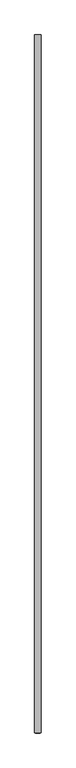
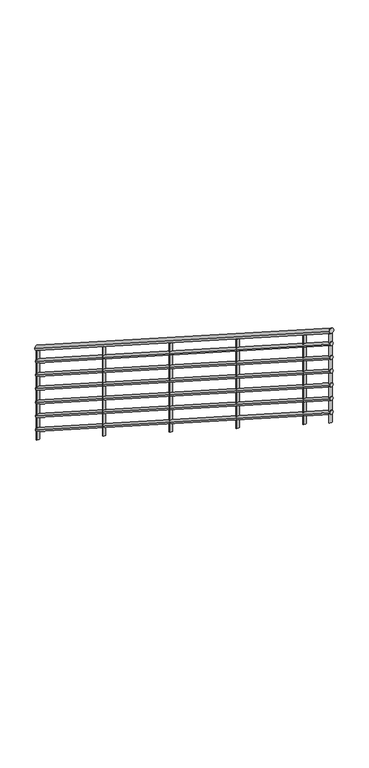
"""IFC4 building model written with IfcOpenShell, lengths in millimetres: railing geometry."""

from ifc_helpers import new_model, si_unit, frame, origin, place, context, project, spatial, ellipse_curve, source, transform, mapped, element, save
from ifc_brep_helpers import plane_surface, cylinder_surface, advanced_brep


def railing_2e7b45f9(model_context):
    return source(origin(), model_context, "Body", "AdvancedBrep", [
        advanced_brep(
        [(-5912.7572282, -30005.6438645, 1052.7068065), (-5872.7572282, -30005.6438645, 1052.7068065), (-5912.7572282, -34405.6438645, 3876.2362183), (-5872.7572282, -34405.6438645, 3876.2362183)],
        [
            (0, 1, ellipse_curve(frame((-5892.7572282, -30005.6438645, 1052.7068065), z_axis=(0.0, 1.0, 0.0), x_axis=(0.0, 0.0, -1.0)), 23.7637817, 20.0)),
            (1, 0, ellipse_curve(frame((-5892.7572282, -30005.6438645, 1052.7068065), z_axis=(0.0, 1.0, 0.0), x_axis=(0.0, 0.0, -1.0)), 23.7637817, 20.0)),
            (2, 3, ellipse_curve(frame((-5892.7572282, -34405.6438645, 3876.2362183), z_axis=(0.0, -1.0, 0.0), x_axis=(0.0, 0.0, -1.0)), 23.7637817, 20.0)),
            (3, 2, ellipse_curve(frame((-5892.7572282, -34405.6438645, 3876.2362183), z_axis=(0.0, -1.0, 0.0), x_axis=(0.0, 0.0, -1.0)), 23.7637817, 20.0)),
            (0, 2),
            (3, 1),
        ],
        [
            plane_surface(frame((-5892.7572282, -30005.6438645, 1076.4705882), z_axis=(0.0, 1.0, 0.0), x_axis=(0.0, 0.0, -1.0))),
            plane_surface(frame((-5892.7572282, -34405.6438645, 3900.0), z_axis=(0.0, -1.0, 0.0), x_axis=(0.0, 0.0, -1.0))),
            cylinder_surface(frame((-5892.7572282, -30016.4453647, 1059.6382505), z_axis=(0.0, 0.841616887662225, -0.5400750081254915), x_axis=(1.0, 0.0, 0.0)), 20.0),
        ],
        [
            (0, [[1, 2]]),
            (1, [[3, 4]]),
            (2, [[-1, 5, -4, 6]]),
            (2, [[-2, -6, -3, -5]]),
        ],
    ),
        advanced_brep(
        [(-5907.7572282, -30005.6438645, 933.647752), (-5877.7572282, -30005.6438645, 933.647752), (-5907.7572282, -34405.6438645, 3757.1771637), (-5877.7572282, -34405.6438645, 3757.1771637)],
        [
            (0, 1, ellipse_curve(frame((-5892.7572282, -30005.6438645, 933.647752), z_axis=(0.0, 1.0, 0.0), x_axis=(0.0, 0.0, -1.0)), 17.8228363, 15.0)),
            (1, 0, ellipse_curve(frame((-5892.7572282, -30005.6438645, 933.647752), z_axis=(0.0, 1.0, 0.0), x_axis=(0.0, 0.0, -1.0)), 17.8228363, 15.0)),
            (2, 3, ellipse_curve(frame((-5892.7572282, -34405.6438645, 3757.1771637), z_axis=(0.0, -1.0, 0.0), x_axis=(0.0, 0.0, -1.0)), 17.8228363, 15.0)),
            (3, 2, ellipse_curve(frame((-5892.7572282, -34405.6438645, 3757.1771637), z_axis=(0.0, -1.0, 0.0), x_axis=(0.0, 0.0, -1.0)), 17.8228363, 15.0)),
            (0, 2),
            (3, 1),
        ],
        [
            plane_surface(frame((-5892.7572282, -30005.6438645, 951.4705882), z_axis=(0.0, 1.0, 0.0), x_axis=(0.0, 0.0, -1.0))),
            plane_surface(frame((-5892.7572282, -34405.6438645, 3775.0), z_axis=(0.0, -1.0, 0.0), x_axis=(0.0, 0.0, -1.0))),
            cylinder_surface(frame((-5892.7572282, -30013.7449896, 938.8463349), z_axis=(0.0, 0.841616887662225, -0.5400750081254915), x_axis=(1.0, 0.0, 0.0)), 15.0),
        ],
        [
            (0, [[1, 2]]),
            (1, [[3, 4]]),
            (2, [[-1, 5, -4, 6]]),
            (2, [[-2, -6, -3, -5]]),
        ],
    ),
        advanced_brep(
        [(-5907.7572282, -30005.6438645, 808.647752), (-5877.7572282, -30005.6438645, 808.647752), (-5907.7572282, -34405.6438645, 3632.1771637), (-5877.7572282, -34405.6438645, 3632.1771637)],
        [
            (0, 1, ellipse_curve(frame((-5892.7572282, -30005.6438645, 808.647752), z_axis=(0.0, 1.0, 0.0), x_axis=(0.0, 0.0, -1.0)), 17.8228363, 15.0)),
            (1, 0, ellipse_curve(frame((-5892.7572282, -30005.6438645, 808.647752), z_axis=(0.0, 1.0, 0.0), x_axis=(0.0, 0.0, -1.0)), 17.8228363, 15.0)),
            (2, 3, ellipse_curve(frame((-5892.7572282, -34405.6438645, 3632.1771637), z_axis=(0.0, -1.0, 0.0), x_axis=(0.0, 0.0, -1.0)), 17.8228363, 15.0)),
            (3, 2, ellipse_curve(frame((-5892.7572282, -34405.6438645, 3632.1771637), z_axis=(0.0, -1.0, 0.0), x_axis=(0.0, 0.0, -1.0)), 17.8228363, 15.0)),
            (0, 2),
            (3, 1),
        ],
        [
            plane_surface(frame((-5892.7572282, -30005.6438645, 826.4705882), z_axis=(0.0, 1.0, 0.0), x_axis=(0.0, 0.0, -1.0))),
            plane_surface(frame((-5892.7572282, -34405.6438645, 3650.0), z_axis=(0.0, -1.0, 0.0), x_axis=(0.0, 0.0, -1.0))),
            cylinder_surface(frame((-5892.7572282, -30013.7449896, 813.8463349), z_axis=(0.0, 0.841616887662225, -0.5400750081254915), x_axis=(1.0, 0.0, 0.0)), 15.0),
        ],
        [
            (0, [[1, 2]]),
            (1, [[3, 4]]),
            (2, [[-1, 5, -4, 6]]),
            (2, [[-2, -6, -3, -5]]),
        ],
    ),
        advanced_brep(
        [(-5907.7572282, -30005.6438645, 683.647752), (-5877.7572282, -30005.6438645, 683.647752), (-5907.7572282, -34405.6438645, 3507.1771637), (-5877.7572282, -34405.6438645, 3507.1771637)],
        [
            (0, 1, ellipse_curve(frame((-5892.7572282, -30005.6438645, 683.647752), z_axis=(0.0, 1.0, 0.0), x_axis=(0.0, 0.0, -1.0)), 17.8228363, 15.0)),
            (1, 0, ellipse_curve(frame((-5892.7572282, -30005.6438645, 683.647752), z_axis=(0.0, 1.0, 0.0), x_axis=(0.0, 0.0, -1.0)), 17.8228363, 15.0)),
            (2, 3, ellipse_curve(frame((-5892.7572282, -34405.6438645, 3507.1771637), z_axis=(0.0, -1.0, 0.0), x_axis=(0.0, 0.0, -1.0)), 17.8228363, 15.0)),
            (3, 2, ellipse_curve(frame((-5892.7572282, -34405.6438645, 3507.1771637), z_axis=(0.0, -1.0, 0.0), x_axis=(0.0, 0.0, -1.0)), 17.8228363, 15.0)),
            (0, 2),
            (3, 1),
        ],
        [
            plane_surface(frame((-5892.7572282, -30005.6438645, 701.4705882), z_axis=(0.0, 1.0, 0.0), x_axis=(0.0, 0.0, -1.0))),
            plane_surface(frame((-5892.7572282, -34405.6438645, 3525.0), z_axis=(0.0, -1.0, 0.0), x_axis=(0.0, 0.0, -1.0))),
            cylinder_surface(frame((-5892.7572282, -30013.7449896, 688.8463349), z_axis=(0.0, 0.841616887662225, -0.5400750081254915), x_axis=(1.0, 0.0, 0.0)), 15.0),
        ],
        [
            (0, [[1, 2]]),
            (1, [[3, 4]]),
            (2, [[-1, 5, -4, 6]]),
            (2, [[-2, -6, -3, -5]]),
        ],
    ),
        advanced_brep(
        [(-5907.7572282, -30005.6438645, 558.647752), (-5877.7572282, -30005.6438645, 558.647752), (-5907.7572282, -34405.6438645, 3382.1771637), (-5877.7572282, -34405.6438645, 3382.1771637)],
        [
            (0, 1, ellipse_curve(frame((-5892.7572282, -30005.6438645, 558.647752), z_axis=(0.0, 1.0, 0.0), x_axis=(0.0, 0.0, -1.0)), 17.8228363, 15.0)),
            (1, 0, ellipse_curve(frame((-5892.7572282, -30005.6438645, 558.647752), z_axis=(0.0, 1.0, 0.0), x_axis=(0.0, 0.0, -1.0)), 17.8228363, 15.0)),
            (2, 3, ellipse_curve(frame((-5892.7572282, -34405.6438645, 3382.1771637), z_axis=(0.0, -1.0, 0.0), x_axis=(0.0, 0.0, -1.0)), 17.8228363, 15.0)),
            (3, 2, ellipse_curve(frame((-5892.7572282, -34405.6438645, 3382.1771637), z_axis=(0.0, -1.0, 0.0), x_axis=(0.0, 0.0, -1.0)), 17.8228363, 15.0)),
            (0, 2),
            (3, 1),
        ],
        [
            plane_surface(frame((-5892.7572282, -30005.6438645, 576.4705882), z_axis=(0.0, 1.0, 0.0), x_axis=(0.0, 0.0, -1.0))),
            plane_surface(frame((-5892.7572282, -34405.6438645, 3400.0), z_axis=(0.0, -1.0, 0.0), x_axis=(0.0, 0.0, -1.0))),
            cylinder_surface(frame((-5892.7572282, -30013.7449896, 563.8463349), z_axis=(0.0, 0.841616887662225, -0.5400750081254915), x_axis=(1.0, 0.0, 0.0)), 15.0),
        ],
        [
            (0, [[1, 2]]),
            (1, [[3, 4]]),
            (2, [[-1, 5, -4, 6]]),
            (2, [[-2, -6, -3, -5]]),
        ],
    ),
        advanced_brep(
        [(-5907.7572282, -30005.6438645, 433.647752), (-5877.7572282, -30005.6438645, 433.647752), (-5907.7572282, -34405.6438645, 3257.1771637), (-5877.7572282, -34405.6438645, 3257.1771637)],
        [
            (0, 1, ellipse_curve(frame((-5892.7572282, -30005.6438645, 433.647752), z_axis=(0.0, 1.0, 0.0), x_axis=(0.0, 0.0, -1.0)), 17.8228363, 15.0)),
            (1, 0, ellipse_curve(frame((-5892.7572282, -30005.6438645, 433.647752), z_axis=(0.0, 1.0, 0.0), x_axis=(0.0, 0.0, -1.0)), 17.8228363, 15.0)),
            (2, 3, ellipse_curve(frame((-5892.7572282, -34405.6438645, 3257.1771637), z_axis=(0.0, -1.0, 0.0), x_axis=(0.0, 0.0, -1.0)), 17.8228363, 15.0)),
            (3, 2, ellipse_curve(frame((-5892.7572282, -34405.6438645, 3257.1771637), z_axis=(0.0, -1.0, 0.0), x_axis=(0.0, 0.0, -1.0)), 17.8228363, 15.0)),
            (0, 2),
            (3, 1),
        ],
        [
            plane_surface(frame((-5892.7572282, -30005.6438645, 451.4705882), z_axis=(0.0, 1.0, 0.0), x_axis=(0.0, 0.0, -1.0))),
            plane_surface(frame((-5892.7572282, -34405.6438645, 3275.0), z_axis=(0.0, -1.0, 0.0), x_axis=(0.0, 0.0, -1.0))),
            cylinder_surface(frame((-5892.7572282, -30013.7449896, 438.8463349), z_axis=(0.0, 0.841616887662225, -0.5400750081254915), x_axis=(1.0, 0.0, 0.0)), 15.0),
        ],
        [
            (0, [[1, 2]]),
            (1, [[3, 4]]),
            (2, [[-1, 5, -4, 6]]),
            (2, [[-2, -6, -3, -5]]),
        ],
    ),
        advanced_brep(
        [(-5907.7572282, -30005.6438645, 308.647752), (-5877.7572282, -30005.6438645, 308.647752), (-5907.7572282, -34405.6438645, 3132.1771637), (-5877.7572282, -34405.6438645, 3132.1771637)],
        [
            (0, 1, ellipse_curve(frame((-5892.7572282, -30005.6438645, 308.647752), z_axis=(0.0, 1.0, 0.0), x_axis=(0.0, 0.0, -1.0)), 17.8228363, 15.0)),
            (1, 0, ellipse_curve(frame((-5892.7572282, -30005.6438645, 308.647752), z_axis=(0.0, 1.0, 0.0), x_axis=(0.0, 0.0, -1.0)), 17.8228363, 15.0)),
            (2, 3, ellipse_curve(frame((-5892.7572282, -34405.6438645, 3132.1771637), z_axis=(0.0, -1.0, 0.0), x_axis=(0.0, 0.0, -1.0)), 17.8228363, 15.0)),
            (3, 2, ellipse_curve(frame((-5892.7572282, -34405.6438645, 3132.1771637), z_axis=(0.0, -1.0, 0.0), x_axis=(0.0, 0.0, -1.0)), 17.8228363, 15.0)),
            (0, 2),
            (3, 1),
        ],
        [
            plane_surface(frame((-5892.7572282, -30005.6438645, 326.4705882), z_axis=(0.0, 1.0, 0.0), x_axis=(0.0, 0.0, -1.0))),
            plane_surface(frame((-5892.7572282, -34405.6438645, 3150.0), z_axis=(0.0, -1.0, 0.0), x_axis=(0.0, 0.0, -1.0))),
            cylinder_surface(frame((-5892.7572282, -30013.7449896, 313.8463349), z_axis=(0.0, 0.841616887662225, -0.5400750081254915), x_axis=(1.0, 0.0, 0.0)), 15.0),
        ],
        [
            (0, [[1, 2]]),
            (1, [[3, 4]]),
            (2, [[-1, 5, -4, 6]]),
            (2, [[-2, -6, -3, -5]]),
        ],
    ),
        advanced_brep(
        [(-5880.2572282, -34005.6438645, 3595.7879446), (-5905.2572282, -34005.6438645, 3595.7879446), (-5905.2572282, -34005.6438645, 2782.8260947), (-5880.2572282, -34005.6438645, 2782.8260947)],
        [
            (0, 1, ellipse_curve(frame((-5892.7572282, -34005.6438645, 3595.7879446), z_axis=(0.0, -0.5400750081254908, -0.8416168876622255), x_axis=(0.0, -0.8416168876622256, 0.5400750081254907)), 14.8523636, 12.5)),
            (1, 2),
            (2, 3, ellipse_curve(frame((-5892.7572282, -34005.6438645, 2782.8260947), z_axis=(0.0, 0.5400750081254915, 0.8416168876622251), x_axis=(0.0, -0.8416168876622251, 0.5400750081254914)), 14.8523636, 12.5)),
            (3, 0),
            (3, 2, ellipse_curve(frame((-5892.7572282, -34005.6438645, 2782.8260947), z_axis=(0.0, 0.5400750081254915, 0.8416168876622251), x_axis=(0.0, -0.8416168876622251, 0.5400750081254914)), 14.8523636, 12.5)),
            (1, 0, ellipse_curve(frame((-5892.7572282, -34005.6438645, 3595.7879446), z_axis=(0.0, -0.5400750081254908, -0.8416168876622255), x_axis=(0.0, -0.8416168876622256, 0.5400750081254907)), 14.8523636, 12.5)),
        ],
        [
            cylinder_surface(frame((-5892.7572282, -34005.6438645, 2682.8260947), z_axis=(0.0, 0.0, 1.0), x_axis=(-1.0, 0.0, 0.0)), 12.5),
            plane_surface(frame((-5917.7572282, -34030.6438645, 3611.8307254), z_axis=(0.0, 0.5400750081254908, 0.8416168876622255), x_axis=(1.0, 0.0, 0.0))),
            plane_surface(frame((-5917.7572282, -33980.6438645, 2766.783314), z_axis=(0.0, -0.5400750081254915, -0.8416168876622251), x_axis=(1.0, 0.0, 0.0))),
        ],
        [
            (0, [[1, 2, 3, 4]]),
            (0, [[5, -2, 6, -4]]),
            (1, [[-6, -1]]),
            (2, [[-5, -3]]),
        ],
    ),
        advanced_brep(
        [(-5880.2572282, -33005.6438645, 2954.0767147), (-5905.2572282, -33005.6438645, 2954.0767147), (-5905.2572282, -33005.6438645, 2141.1148648), (-5880.2572282, -33005.6438645, 2141.1148648)],
        [
            (0, 1, ellipse_curve(frame((-5892.7572282, -33005.6438645, 2954.0767147), z_axis=(0.0, -0.5400750081254908, -0.8416168876622255), x_axis=(0.0, -0.8416168876622256, 0.5400750081254907)), 14.8523636, 12.5)),
            (1, 2),
            (2, 3, ellipse_curve(frame((-5892.7572282, -33005.6438645, 2141.1148648), z_axis=(0.0, 0.5400750081254915, 0.8416168876622251), x_axis=(0.0, -0.8416168876622251, 0.5400750081254914)), 14.8523636, 12.5)),
            (3, 0),
            (3, 2, ellipse_curve(frame((-5892.7572282, -33005.6438645, 2141.1148648), z_axis=(0.0, 0.5400750081254915, 0.8416168876622251), x_axis=(0.0, -0.8416168876622251, 0.5400750081254914)), 14.8523636, 12.5)),
            (1, 0, ellipse_curve(frame((-5892.7572282, -33005.6438645, 2954.0767147), z_axis=(0.0, -0.5400750081254908, -0.8416168876622255), x_axis=(0.0, -0.8416168876622256, 0.5400750081254907)), 14.8523636, 12.5)),
        ],
        [
            cylinder_surface(frame((-5892.7572282, -33005.6438645, 2041.1148648), z_axis=(0.0, 0.0, 1.0), x_axis=(-1.0, 0.0, 0.0)), 12.5),
            plane_surface(frame((-5917.7572282, -33030.6438645, 2970.1194954), z_axis=(0.0, 0.5400750081254908, 0.8416168876622255), x_axis=(1.0, 0.0, 0.0))),
            plane_surface(frame((-5917.7572282, -32980.6438645, 2125.072084), z_axis=(0.0, -0.5400750081254915, -0.8416168876622251), x_axis=(1.0, 0.0, 0.0))),
        ],
        [
            (0, [[1, 2, 3, 4]]),
            (0, [[5, -2, 6, -4]]),
            (1, [[-6, -1]]),
            (2, [[-5, -3]]),
        ],
    ),
        advanced_brep(
        [(-5880.2572282, -32005.6438645, 2312.3654847), (-5905.2572282, -32005.6438645, 2312.3654847), (-5905.2572282, -32005.6438645, 1499.4036348), (-5880.2572282, -32005.6438645, 1499.4036348)],
        [
            (0, 1, ellipse_curve(frame((-5892.7572282, -32005.6438645, 2312.3654847), z_axis=(0.0, -0.5400750081254908, -0.8416168876622255), x_axis=(0.0, -0.8416168876622256, 0.5400750081254907)), 14.8523636, 12.5)),
            (1, 2),
            (2, 3, ellipse_curve(frame((-5892.7572282, -32005.6438645, 1499.4036348), z_axis=(0.0, 0.5400750081254915, 0.8416168876622251), x_axis=(0.0, -0.8416168876622251, 0.5400750081254914)), 14.8523636, 12.5)),
            (3, 0),
            (3, 2, ellipse_curve(frame((-5892.7572282, -32005.6438645, 1499.4036348), z_axis=(0.0, 0.5400750081254915, 0.8416168876622251), x_axis=(0.0, -0.8416168876622251, 0.5400750081254914)), 14.8523636, 12.5)),
            (1, 0, ellipse_curve(frame((-5892.7572282, -32005.6438645, 2312.3654847), z_axis=(0.0, -0.5400750081254908, -0.8416168876622255), x_axis=(0.0, -0.8416168876622256, 0.5400750081254907)), 14.8523636, 12.5)),
        ],
        [
            cylinder_surface(frame((-5892.7572282, -32005.6438645, 1399.4036348), z_axis=(0.0, 0.0, 1.0), x_axis=(-1.0, 0.0, 0.0)), 12.5),
            plane_surface(frame((-5917.7572282, -32030.6438645, 2328.4082655), z_axis=(0.0, 0.5400750081254908, 0.8416168876622255), x_axis=(1.0, 0.0, 0.0))),
            plane_surface(frame((-5917.7572282, -31980.6438645, 1483.3608541), z_axis=(0.0, -0.5400750081254915, -0.8416168876622251), x_axis=(1.0, 0.0, 0.0))),
        ],
        [
            (0, [[1, 2, 3, 4]]),
            (0, [[5, -2, 6, -4]]),
            (1, [[-6, -1]]),
            (2, [[-5, -3]]),
        ],
    ),
        advanced_brep(
        [(-5880.2572282, -31005.6438645, 1670.6542548), (-5905.2572282, -31005.6438645, 1670.6542548), (-5905.2572282, -31005.6438645, 857.6924049), (-5880.2572282, -31005.6438645, 857.6924049)],
        [
            (0, 1, ellipse_curve(frame((-5892.7572282, -31005.6438645, 1670.6542548), z_axis=(0.0, -0.5400750081254908, -0.8416168876622255), x_axis=(0.0, -0.8416168876622256, 0.5400750081254907)), 14.8523636, 12.5)),
            (1, 2),
            (2, 3, ellipse_curve(frame((-5892.7572282, -31005.6438645, 857.6924049), z_axis=(0.0, 0.5400750081254915, 0.8416168876622251), x_axis=(0.0, -0.8416168876622251, 0.5400750081254914)), 14.8523636, 12.5)),
            (3, 0),
            (3, 2, ellipse_curve(frame((-5892.7572282, -31005.6438645, 857.6924049), z_axis=(0.0, 0.5400750081254915, 0.8416168876622251), x_axis=(0.0, -0.8416168876622251, 0.5400750081254914)), 14.8523636, 12.5)),
            (1, 0, ellipse_curve(frame((-5892.7572282, -31005.6438645, 1670.6542548), z_axis=(0.0, -0.5400750081254908, -0.8416168876622255), x_axis=(0.0, -0.8416168876622256, 0.5400750081254907)), 14.8523636, 12.5)),
        ],
        [
            cylinder_surface(frame((-5892.7572282, -31005.6438645, 757.6924049), z_axis=(0.0, 0.0, 1.0), x_axis=(-1.0, 0.0, 0.0)), 12.5),
            plane_surface(frame((-5917.7572282, -31030.6438645, 1686.6970355), z_axis=(0.0, 0.5400750081254908, 0.8416168876622255), x_axis=(1.0, 0.0, 0.0))),
            plane_surface(frame((-5917.7572282, -30980.6438645, 841.6496241), z_axis=(0.0, -0.5400750081254915, -0.8416168876622251), x_axis=(1.0, 0.0, 0.0))),
        ],
        [
            (0, [[1, 2, 3, 4]]),
            (0, [[5, -2, 6, -4]]),
            (1, [[-6, -1]]),
            (2, [[-5, -3]]),
        ],
    ),
        advanced_brep(
        [(-5880.2572282, -34393.1438645, 3844.4510462), (-5905.2572282, -34393.1438645, 3844.4510462), (-5905.2572282, -34393.1438645, 3031.4891963), (-5880.2572282, -34393.1438645, 3031.4891963)],
        [
            (0, 1, ellipse_curve(frame((-5892.7572282, -34393.1438645, 3844.4510462), z_axis=(0.0, -0.5400750081254908, -0.8416168876622255), x_axis=(0.0, -0.8416168876622256, 0.5400750081254907)), 14.8523636, 12.5)),
            (1, 2),
            (2, 3, ellipse_curve(frame((-5892.7572282, -34393.1438645, 3031.4891963), z_axis=(0.0, 0.5400750081254915, 0.8416168876622251), x_axis=(0.0, -0.8416168876622251, 0.5400750081254914)), 14.8523636, 12.5)),
            (3, 0),
            (3, 2, ellipse_curve(frame((-5892.7572282, -34393.1438645, 3031.4891963), z_axis=(0.0, 0.5400750081254915, 0.8416168876622251), x_axis=(0.0, -0.8416168876622251, 0.5400750081254914)), 14.8523636, 12.5)),
            (1, 0, ellipse_curve(frame((-5892.7572282, -34393.1438645, 3844.4510462), z_axis=(0.0, -0.5400750081254908, -0.8416168876622255), x_axis=(0.0, -0.8416168876622256, 0.5400750081254907)), 14.8523636, 12.5)),
        ],
        [
            cylinder_surface(frame((-5892.7572282, -34393.1438645, 2931.4891963), z_axis=(0.0, 0.0, 1.0), x_axis=(-1.0, 0.0, 0.0)), 12.5),
            plane_surface(frame((-5917.7572282, -34418.1438645, 3860.493827), z_axis=(0.0, 0.5400750081254908, 0.8416168876622255), x_axis=(1.0, 0.0, 0.0))),
            plane_surface(frame((-5917.7572282, -34368.1438645, 3015.4464156), z_axis=(0.0, -0.5400750081254915, -0.8416168876622251), x_axis=(1.0, 0.0, 0.0))),
        ],
        [
            (0, [[1, 2, 3, 4]]),
            (0, [[5, -2, 6, -4]]),
            (1, [[-6, -1]]),
            (2, [[-5, -3]]),
        ],
    ),
        advanced_brep(
        [(-5880.2572282, -30018.1438645, 1036.9644152), (-5905.2572282, -30018.1438645, 1036.9644152), (-5905.2572282, -30018.1438645, 224.0025653), (-5880.2572282, -30018.1438645, 224.0025653)],
        [
            (0, 1, ellipse_curve(frame((-5892.7572282, -30018.1438645, 1036.9644152), z_axis=(0.0, -0.5400750081254908, -0.8416168876622255), x_axis=(0.0, -0.8416168876622256, 0.5400750081254907)), 14.8523636, 12.5)),
            (1, 2),
            (2, 3, ellipse_curve(frame((-5892.7572282, -30018.1438645, 224.0025653), z_axis=(0.0, 0.5400750081254915, 0.8416168876622251), x_axis=(0.0, -0.8416168876622251, 0.5400750081254914)), 14.8523636, 12.5)),
            (3, 0),
            (3, 2, ellipse_curve(frame((-5892.7572282, -30018.1438645, 224.0025653), z_axis=(0.0, 0.5400750081254915, 0.8416168876622251), x_axis=(0.0, -0.8416168876622251, 0.5400750081254914)), 14.8523636, 12.5)),
            (1, 0, ellipse_curve(frame((-5892.7572282, -30018.1438645, 1036.9644152), z_axis=(0.0, -0.5400750081254908, -0.8416168876622255), x_axis=(0.0, -0.8416168876622256, 0.5400750081254907)), 14.8523636, 12.5)),
        ],
        [
            cylinder_surface(frame((-5892.7572282, -30018.1438645, 124.0025653), z_axis=(0.0, 0.0, 1.0), x_axis=(-1.0, 0.0, 0.0)), 12.5),
            plane_surface(frame((-5917.7572282, -30043.1438645, 1053.0071959), z_axis=(0.0, 0.5400750081254908, 0.8416168876622255), x_axis=(1.0, 0.0, 0.0))),
            plane_surface(frame((-5917.7572282, -29993.1438645, 207.9597846), z_axis=(0.0, -0.5400750081254915, -0.8416168876622251), x_axis=(1.0, 0.0, 0.0))),
        ],
        [
            (0, [[1, 2, 3, 4]]),
            (0, [[5, -2, 6, -4]]),
            (1, [[-6, -1]]),
            (2, [[-5, -3]]),
        ],
    ),
    ])


if __name__ == "__main__":
    model = new_model("IFC4")
    model_context = context("Model", 3, world=origin())
    ifc_project = project(units=[si_unit("LENGTHUNIT", "METRE", prefix="MILLI")], contexts=[model_context])
    site = spatial("IfcSite", under=ifc_project)
    building = spatial("IfcBuilding", under=site)
    placement = place(None, origin())
    railing_shape = railing_2e7b45f9(model_context)
    element("IfcRailing", 1, at=placement, inside=building, context=model_context, shape_type="MappedRepresentation", body=[
        mapped(railing_shape, transform((0.0, 0.0, 0.0), x_axis=(1.0, 0.0, 0.0), y_axis=(0.0, 1.0, 0.0), z_axis=(0.0, 0.0, 1.0))),
    ])
    save(model, "model.ifc")
